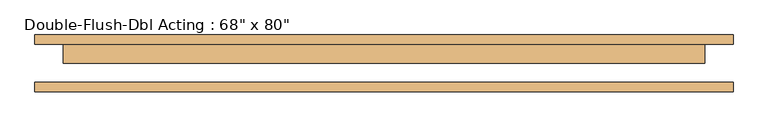
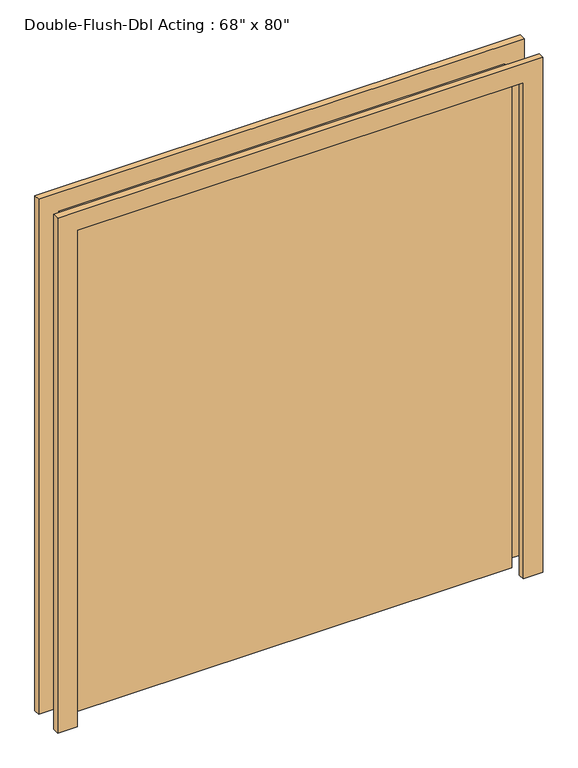
"""IFC4 building model written with IfcOpenShell, lengths in millimetres: door geometry."""

import ifcopenshell
import ifcopenshell.guid

model = None  # the IFC model being written
_history = None  # IfcOwnerHistory: only IFC2X3 demands one
_inside = {}  # id of a spatial element -> (the spatial element, [elements in it])
_under = {}  # id of a project, library or spatial element -> (it, [spatial elements below it])
_declared = {}  # id of a project -> (the project, [libraries it declares])
_typed = {}  # id of a type object -> (the type object, [elements of that type])
_made_of = {}  # id of a material, layer set ... -> (it, [elements and type objects made of it])


def new_model(schema):
    """Start an empty IFC model of exactly this schema.

    Asked for "IFC4X3", IfcOpenShell would pick the latest addendum, in which some entities
    have other attributes; the version numbers below select the first issue.
    IFC2X3 requires an IfcOwnerHistory on every rooted entity: one is made here for all.
    """
    global model, _history
    if schema == "IFC4X3":
        model = ifcopenshell.file(schema_version=(4, 3, 0, 0))
    else:
        model = ifcopenshell.file(schema=schema)
    _inside.clear()
    _under.clear()
    _declared.clear()
    _typed.clear()
    _made_of.clear()
    _history = None
    if model.schema == "IFC2X3":
        org = make("IfcOrganization", Name="unknown")
        user = make(
            "IfcPersonAndOrganization",
            ThePerson=make("IfcPerson", FamilyName="unknown"),
            TheOrganization=org,
        )
        app = make(
            "IfcApplication",
            ApplicationDeveloper=org,
            Version="unknown",
            ApplicationFullName="unknown",
            ApplicationIdentifier="unknown",
        )
        _history = make(
            "IfcOwnerHistory",
            OwningUser=user,
            OwningApplication=app,
            ChangeAction="ADDED",
            CreationDate=0,
        )
    return model


def make(cls, **values):
    """One entity of the class cls with the attributes given. An attribute that is None is left unset."""
    return model.create_entity(
        cls, **{name: value for name, value in values.items() if value is not None}
    )


def rooted(cls, **values):
    """An entity with a GlobalId (a new one), such as an element, a storey or a relation."""
    return make(cls, GlobalId=ifcopenshell.guid.new(), OwnerHistory=_history, **values)


def si_unit(unit_type, name, prefix=None):
    """IfcSIUnit, for example si_unit("LENGTHUNIT", "METRE", prefix="MILLI")."""
    return make("IfcSIUnit", UnitType=unit_type, Prefix=prefix, Name=name)


def assignment(units):
    """IfcUnitAssignment: the units of a project."""
    return None if units is None else make("IfcUnitAssignment", Units=units)


def point(xyz):
    """IfcCartesianPoint."""
    return None if xyz is None else make("IfcCartesianPoint", Coordinates=xyz)


def direction(xyz):
    """IfcDirection."""
    return None if xyz is None else make("IfcDirection", DirectionRatios=xyz)


def frame(location, z_axis=None, x_axis=None):
    """IfcAxis2Placement3D, a coordinate frame: its origin and axes. An axis left out is left unset."""
    return make(
        "IfcAxis2Placement3D",
        Location=point(location),
        Axis=direction(z_axis),
        RefDirection=direction(x_axis),
    )


def origin():
    """The frame at (0, 0, 0) with its axes left unset."""
    return frame((0.0, 0.0, 0.0))


def origin_with_axes():
    """The frame at (0, 0, 0) with the z axis (0, 0, 1) and the x axis (1, 0, 0) written out."""
    return frame((0.0, 0.0, 0.0), z_axis=(0.0, 0.0, 1.0), x_axis=(1.0, 0.0, 0.0))


def place(relative_to, where):
    """IfcLocalPlacement: puts the frame where relative to a parent placement (None: the world)."""
    return make(
        "IfcLocalPlacement", PlacementRelTo=relative_to, RelativePlacement=where
    )


def context(
    kind, dimensions, precision=None, world=None, true_north=None, identifier=None
):
    """IfcGeometricRepresentationContext, for example the 3D "Model" context."""
    return make(
        "IfcGeometricRepresentationContext",
        ContextIdentifier=identifier,
        ContextType=kind,
        CoordinateSpaceDimension=dimensions,
        Precision=precision,
        WorldCoordinateSystem=world,
        TrueNorth=true_north,
    )


def project(units=None, contexts=None):
    """IfcProject with its units and contexts."""
    return rooted(
        "IfcProject",
        Name="project",
        RepresentationContexts=contexts,
        UnitsInContext=assignment(units),
    )


def spatial(cls, under=None, at=None, **own):
    """A site, building, storey or space (cls), placed at a placement, below another one or the project."""
    s = rooted(cls, ObjectPlacement=at, **own)
    if under is not None:
        _under.setdefault(under.id(), (under, []))[1].append(s)
    return s


def polyline(points):
    """IfcPolyline through the points."""
    return make("IfcPolyline", Points=[point(p) for p in points])


def outline(outer, holes=None, kind="AREA"):
    """IfcArbitraryClosedProfileDef: a profile drawn as a closed curve; with holes, ...WithVoids."""
    if holes is None:
        return make("IfcArbitraryClosedProfileDef", ProfileType=kind, OuterCurve=outer)
    return make(
        "IfcArbitraryProfileDefWithVoids",
        ProfileType=kind,
        OuterCurve=outer,
        InnerCurves=holes,
    )


def extrude(swept, where, along, depth):
    """IfcExtrudedAreaSolid: the profile swept, set in the frame where, extruded along a direction by depth."""
    return make(
        "IfcExtrudedAreaSolid",
        SweptArea=swept,
        Position=where,
        ExtrudedDirection=direction(along),
        Depth=depth,
    )


def shape(context_of_items, identifier, shape_type, items):
    """IfcShapeRepresentation: the items that make up one representation, for example the "Body"."""
    return make(
        "IfcShapeRepresentation",
        ContextOfItems=context_of_items,
        RepresentationIdentifier=identifier,
        RepresentationType=shape_type,
        Items=items,
    )


def source(mapping_origin, context_of_items, identifier, shape_type, items):
    """IfcRepresentationMap: a shape defined once, which mapped items show again and again."""
    return make(
        "IfcRepresentationMap",
        MappingOrigin=mapping_origin,
        MappedRepresentation=shape(context_of_items, identifier, shape_type, items),
    )


def transform(
    local_origin,
    x_axis=None,
    y_axis=None,
    z_axis=None,
    scale=None,
    scale2=None,
    scale3=None,
    uniform=True,
):
    """IfcCartesianTransformationOperator3D, or its non-uniform kind. x_axis, y_axis, z_axis: its Axis1, 2, 3."""
    if uniform:
        return make(
            "IfcCartesianTransformationOperator3D",
            Axis1=direction(x_axis),
            Axis2=direction(y_axis),
            LocalOrigin=point(local_origin),
            Scale=scale,
            Axis3=direction(z_axis),
        )
    return make(
        "IfcCartesianTransformationOperator3DnonUniform",
        Axis1=direction(x_axis),
        Axis2=direction(y_axis),
        LocalOrigin=point(local_origin),
        Scale=scale,
        Axis3=direction(z_axis),
        Scale2=scale2,
        Scale3=scale3,
    )


def mapped(mapping_source, mapping_target):
    """IfcMappedItem: shows the shape of a source again, moved by a transform."""
    return make(
        "IfcMappedItem", MappingSource=mapping_source, MappingTarget=mapping_target
    )


def made_of(thing, what):
    """Note that an element or type object is made of a material, layer set ...; save() writes the relation."""
    if what is not None:
        _made_of.setdefault(what.id(), (what, []))[1].append(thing)
    return thing


def element(
    cls,
    number,
    at=None,
    inside=None,
    cuts=None,
    type_object=None,
    material=None,
    context=None,
    identifier="Body",
    shape_type=None,
    held_by="IfcProductDefinitionShape",
    body=None,
    shapes=None,
    **own,
):
    """One element of the class cls, such as IfcWall. Its Tag is "e" and its number.

    at: its placement. inside: the storey or other place that contains it. cuts: it is an
    opening in that element (IfcRelVoidsElement). A single representation is given by context,
    identifier, shape_type and body (its items); several are given by shapes. held_by: the class
    of the entity that holds the representations. save() writes the other relations.
    """
    e = rooted(cls, Tag="e%d" % number, ObjectPlacement=at, **own)
    if body is not None:
        shapes = [shape(context, identifier, shape_type, body)]
    if shapes is not None:
        e.Representation = make(held_by, Representations=shapes)
    if inside is not None:
        _inside.setdefault(inside.id(), (inside, []))[1].append(e)
    if cuts is not None:
        rooted(
            "IfcRelVoidsElement", RelatingBuildingElement=cuts, RelatedOpeningElement=e
        )
    if type_object is not None:
        _typed.setdefault(type_object.id(), (type_object, []))[1].append(e)
    return made_of(e, material)


def aggregate(whole, parts):
    """IfcRelAggregates: a whole, such as a stair, and the parts it consists of."""
    return rooted("IfcRelAggregates", RelatingObject=whole, RelatedObjects=parts)


def save(model, path):
    """Write the relations noted so far, then the file.

    IfcRelAggregates (storeys below a building ...), IfcRelContainedInSpatialStructure (elements
    in a storey), IfcRelDefinesByType, IfcRelAssociatesMaterial and IfcRelDeclares: one each for
    every whole, place, type object, material and project.
    """
    for whole, parts in _under.values():
        aggregate(whole, parts)
    for where, things in _inside.values():
        rooted(
            "IfcRelContainedInSpatialStructure",
            RelatedElements=things,
            RelatingStructure=where,
        )
    for kind, things in _typed.values():
        rooted("IfcRelDefinesByType", RelatedObjects=things, RelatingType=kind)
    for what, things in _made_of.values():
        rooted("IfcRelAssociatesMaterial", RelatedObjects=things, RelatingMaterial=what)
    for by, libraries in _declared.values():
        rooted("IfcRelDeclares", RelatingContext=by, RelatedDefinitions=libraries)
    model.write(path)


def door_2c602756(model_context):
    return source(origin(), model_context, "Body", "SweptSolid", [
        extrude(outline(polyline([(2108.2, -939.8), (0.0, -939.8), (0.0, -863.6), (2032.0, -863.6), (2032.0, 863.6), (0.0, 863.6), (0.0, 939.8), (2108.2, 939.8), (2108.2, -939.8)])), frame((0.0, 50.8, 0.0), z_axis=(0.0, 1.0, 0.0), x_axis=(0.0, 0.0, 1.0)), (0.0, 0.0, 1.0), 25.4),
        extrude(outline(polyline([(-863.6, 50.8), (863.6, 50.8), (863.6, 0.0), (-863.6, 0.0), (-863.6, 50.8)])), origin_with_axes(), (0.0, 0.0, 1.0), 2032.0),
        extrude(outline(polyline([(2032.0, -863.6), (2032.0, 863.6), (0.0, 863.6), (0.0, 939.8), (2108.2, 939.8), (2108.2, -939.8), (0.0, -939.8), (0.0, -863.6), (2032.0, -863.6)])), frame((0.0, -76.2, 0.0), z_axis=(0.0, 1.0, 0.0), x_axis=(0.0, 0.0, 1.0)), (0.0, 0.0, 1.0), 25.4),
    ])


if __name__ == "__main__":
    model = new_model("IFC4")
    model_context = context("Model", 3, world=origin())
    ifc_project = project(units=[si_unit("LENGTHUNIT", "METRE", prefix="MILLI")], contexts=[model_context])
    site = spatial("IfcSite", under=ifc_project)
    building = spatial("IfcBuilding", under=site)
    placement = place(None, origin())
    door_shape = door_2c602756(model_context)
    element("IfcDoor", 1, ObjectType="Double-Flush-Dbl Acting : 68\" x 80\"", at=placement, inside=building, context=model_context, shape_type="MappedRepresentation", body=[
        mapped(door_shape, transform((0.0, 0.0, 0.0), x_axis=(1.0, 0.0, 0.0), y_axis=(0.0, 1.0, 0.0), z_axis=(0.0, 0.0, 1.0))),
    ])
    save(model, "model.ifc")
